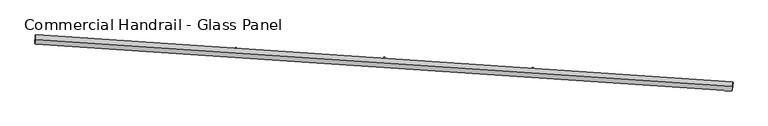
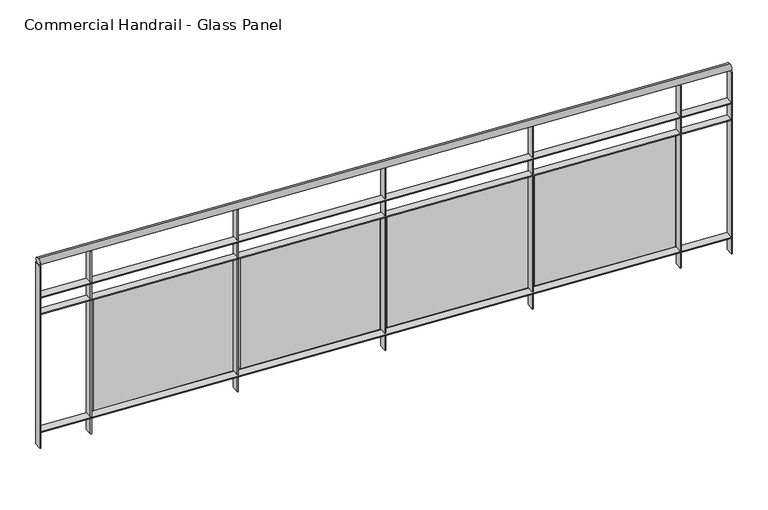
"""IFC4 building model written with IfcOpenShell, lengths in millimetres: railing geometry, Commercial Handrail - Glass Panel."""

from ifc_helpers import new_model, si_unit, point, frame, origin, place, context, project, spatial, polyline, circle_curve, ellipse_curve, trimmed, outline, extrude, source, transform, mapped, element, save
from ifc_brep_helpers import plane_surface, cylinder_surface, revolved_surface, advanced_brep


def commercial_handrail_glass_panel_afc3aaa4(model_context):
    return source(origin(), model_context, "Body", "SolidModel", [
        advanced_brep(
        [(127087.1570921, -8003.1164337, 12882.5), (123343.3137882, -7749.5898626, 12882.5), (123343.3137882, -7749.5898626, 12917.5), (127087.1570921, -8003.1164337, 12917.5)],
        [
            (0, 1, circle_curve(frame((111605.6979329, -208849.2754237, 12882.5), z_axis=(0.0, 0.0, 1.0), x_axis=(0.05826798461119784, 0.9983009776461952, 0.0)), 201441.93992)),
            (1, 2, ellipse_curve(frame((123343.3137882, -7749.5898626, 12900.0), z_axis=(0.9983009776461951, -0.05826798461120429, 0.0), x_axis=(-0.058267984611204277, -0.9983009776461949, 0.0)), 25.0, 17.5)),
            (2, 3, circle_curve(frame((111605.6979329, -208849.2754237, 12917.5), z_axis=(0.0, 0.0, -1.0), x_axis=(0.05826798461119784, 0.9983009776461952, 0.0)), 201441.93992)),
            (3, 0, ellipse_curve(frame((127087.1570921, -8003.1164337, 12900.0), z_axis=(-0.9970424186232612, 0.07685320725823905, 0.0), x_axis=(-0.07685320725823903, -0.9970424186232609, 0.0)), 25.0, 17.5)),
            (2, 1, ellipse_curve(frame((123343.3137882, -7749.5898626, 12900.0), z_axis=(0.9983009776461951, -0.05826798461120429, 0.0), x_axis=(-0.058267984611204277, -0.9983009776461949, 0.0)), 25.0, 17.5)),
            (0, 3, ellipse_curve(frame((127087.1570921, -8003.1164337, 12900.0), z_axis=(-0.9970424186232612, 0.07685320725823905, 0.0), x_axis=(-0.07685320725823903, -0.9970424186232609, 0.0)), 25.0, 17.5)),
        ],
        [
            revolved_surface(trimmed(ellipse_curve(frame((123343.3137882, -7749.5898626, 12900.0), z_axis=(-0.9983009776461952, 0.05826798461119784, 0.0), x_axis=(0.0, 0.0, -1.0)), 17.5, 25.0), [point((123343.3137882, -7749.5898626, 12917.5))], [point((123343.3137882, -7749.5898626, 12882.5))], True, "CARTESIAN"), (111605.6979329, -208849.2754237, 12900.0), (0.0, 0.0, -1.0)),
            revolved_surface(trimmed(ellipse_curve(frame((123343.3137882, -7749.5898626, 12900.0), z_axis=(-0.9983009776461952, 0.05826798461119784, 0.0), x_axis=(0.0, 0.0, -1.0)), 17.5, 25.0), [point((123343.3137882, -7749.5898626, 12882.5))], [point((123343.3137882, -7749.5898626, 12917.5))], True, "CARTESIAN"), (111605.6979329, -208849.2754237, 12900.0), (0.0, 0.0, -1.0)),
            plane_surface(frame((123343.3137882, -7749.5898626, 12900.0), z_axis=(-0.9983009776461953, 0.058267984611197844, 0.0), x_axis=(0.058267984611197844, 0.9983009776461953, 0.0))),
            plane_surface(frame((127087.1570921, -8003.1164337, 12900.0), z_axis=(0.9970424186232612, -0.07685320725823909, 0.0), x_axis=(0.07685320725823909, 0.9970424186232612, 0.0))),
        ],
        [
            (0, [[1, 2, 3, 4]]),
            (1, [[-3, 5, -1, 6]]),
            (2, [[-2, -5]]),
            (3, [[-6, -4]]),
        ],
    ),
        advanced_brep(
        [(127088.8862893, -7980.6829793, 12700.0), (123344.6248179, -7727.1280906, 12700.0), (123342.0027586, -7772.0516346, 12700.0), (127085.4278949, -8025.5498881, 12700.0), (127088.8862893, -7980.6829793, 12694.0), (123344.6248179, -7727.1280906, 12694.0), (127085.4278949, -8025.5498881, 12694.0), (123342.0027586, -7772.0516346, 12694.0)],
        [
            (0, 1, circle_curve(frame((111605.6979329, -208849.2754237, 12700.0), z_axis=(0.0, 0.0, 1.0), x_axis=(0.05826798461119784, 0.9983009776461952, 0.0)), 201464.43992)),
            (1, 2),
            (2, 3, circle_curve(frame((111605.6979329, -208849.2754237, 12700.0), z_axis=(0.0, 0.0, -1.0), x_axis=(0.05826798461119784, 0.9983009776461952, 0.0)), 201419.43992)),
            (3, 0),
            (4, 5, circle_curve(frame((111605.6979329, -208849.2754237, 12694.0), z_axis=(0.0, 0.0, 1.0), x_axis=(0.05826798461119784, 0.9983009776461952, 0.0)), 201464.43992)),
            (5, 1),
            (0, 4),
            (6, 7, circle_curve(frame((111605.6979329, -208849.2754237, 12694.0), z_axis=(0.0, 0.0, 1.0), x_axis=(0.05826798461119784, 0.9983009776461952, 0.0)), 201419.43992)),
            (7, 5),
            (4, 6),
            (2, 7),
            (6, 3),
        ],
        [
            plane_surface(frame((111605.6979329, -208849.2754237, 12700.0), z_axis=(0.0, 0.0, 1.0), x_axis=(0.058267984611197844, 0.9983009776461953, 0.0))),
            cylinder_surface(frame((111605.6979329, -208849.2754237, 12700.0), z_axis=(0.0, 0.0, -1.0), x_axis=(0.05826798461119784, 0.9983009776461952, 0.0)), 201464.43992),
            plane_surface(frame((111605.6979329, -208849.2754237, 12694.0), z_axis=(0.0, 0.0, -1.0), x_axis=(0.058267984611197844, 0.9983009776461953, 0.0))),
            revolved_surface(polyline([(123342.00275855465, -7772.051634614909, 12694.0), (123342.00275855465, -7772.051634614909, 12700.0)]), (111605.6979329, -208849.2754237, 12700.0), (0.0, 0.0, -1.0)),
            plane_surface(frame((123343.3137882, -7749.5898626, 12700.0), z_axis=(-0.9983009776461953, 0.058267984611197844, 0.0), x_axis=(0.058267984611197844, 0.9983009776461953, 0.0))),
            plane_surface(frame((127087.1570921, -8003.1164337, 12700.0), z_axis=(0.9970424186232612, -0.07685320725823909, 0.0), x_axis=(0.07685320725823909, 0.9970424186232612, 0.0))),
        ],
        [
            (0, [[1, 2, 3, 4]]),
            (1, [[5, 6, -1, 7]]),
            (2, [[8, 9, -5, 10]]),
            (3, [[-3, 11, -8, 12]]),
            (4, [[-2, -6, -9, -11]]),
            (5, [[-12, -10, -7, -4]]),
        ],
    ),
        advanced_brep(
        [(127088.8862893, -7980.6829793, 12600.0), (123344.6248179, -7727.1280906, 12600.0), (123342.0027586, -7772.0516346, 12600.0), (127085.4278949, -8025.5498881, 12600.0), (127088.8862893, -7980.6829793, 12594.0), (123344.6248179, -7727.1280906, 12594.0), (127085.4278949, -8025.5498881, 12594.0), (123342.0027586, -7772.0516346, 12594.0)],
        [
            (0, 1, circle_curve(frame((111605.6979329, -208849.2754237, 12600.0), z_axis=(0.0, 0.0, 1.0), x_axis=(0.05826798461119784, 0.9983009776461952, 0.0)), 201464.43992)),
            (1, 2),
            (2, 3, circle_curve(frame((111605.6979329, -208849.2754237, 12600.0), z_axis=(0.0, 0.0, -1.0), x_axis=(0.05826798461119784, 0.9983009776461952, 0.0)), 201419.43992)),
            (3, 0),
            (4, 5, circle_curve(frame((111605.6979329, -208849.2754237, 12594.0), z_axis=(0.0, 0.0, 1.0), x_axis=(0.05826798461119784, 0.9983009776461952, 0.0)), 201464.43992)),
            (5, 1),
            (0, 4),
            (6, 7, circle_curve(frame((111605.6979329, -208849.2754237, 12594.0), z_axis=(0.0, 0.0, 1.0), x_axis=(0.05826798461119784, 0.9983009776461952, 0.0)), 201419.43992)),
            (7, 5),
            (4, 6),
            (2, 7),
            (6, 3),
        ],
        [
            plane_surface(frame((111605.6979329, -208849.2754237, 12600.0), z_axis=(0.0, 0.0, 1.0), x_axis=(0.058267984611197844, 0.9983009776461953, 0.0))),
            cylinder_surface(frame((111605.6979329, -208849.2754237, 12600.0), z_axis=(0.0, 0.0, -1.0), x_axis=(0.05826798461119784, 0.9983009776461952, 0.0)), 201464.43992),
            plane_surface(frame((111605.6979329, -208849.2754237, 12594.0), z_axis=(0.0, 0.0, -1.0), x_axis=(0.058267984611197844, 0.9983009776461953, 0.0))),
            revolved_surface(polyline([(123342.00275855465, -7772.051634614909, 12594.0), (123342.00275855465, -7772.051634614909, 12600.0)]), (111605.6979329, -208849.2754237, 12600.0), (0.0, 0.0, -1.0)),
            plane_surface(frame((123343.3137882, -7749.5898626, 12600.0), z_axis=(-0.9983009776461953, 0.058267984611197844, 0.0), x_axis=(0.058267984611197844, 0.9983009776461953, 0.0))),
            plane_surface(frame((127087.1570921, -8003.1164337, 12600.0), z_axis=(0.9970424186232612, -0.07685320725823909, 0.0), x_axis=(0.07685320725823909, 0.9970424186232612, 0.0))),
        ],
        [
            (0, [[1, 2, 3, 4]]),
            (1, [[5, 6, -1, 7]]),
            (2, [[8, 9, -5, 10]]),
            (3, [[-3, 11, -8, 12]]),
            (4, [[-2, -6, -9, -11]]),
            (5, [[-12, -10, -7, -4]]),
        ],
    ),
        advanced_brep(
        [(127088.8862893, -7980.6829793, 11900.0), (123344.6248179, -7727.1280906, 11900.0), (123342.0027586, -7772.0516346, 11900.0), (127085.4278949, -8025.5498881, 11900.0), (127088.8862893, -7980.6829793, 11894.0), (123344.6248179, -7727.1280906, 11894.0), (127085.4278949, -8025.5498881, 11894.0), (123342.0027586, -7772.0516346, 11894.0)],
        [
            (0, 1, circle_curve(frame((111605.6979329, -208849.2754237, 11900.0), z_axis=(0.0, 0.0, 1.0), x_axis=(0.05826798461119784, 0.9983009776461952, 0.0)), 201464.43992)),
            (1, 2),
            (2, 3, circle_curve(frame((111605.6979329, -208849.2754237, 11900.0), z_axis=(0.0, 0.0, -1.0), x_axis=(0.05826798461119784, 0.9983009776461952, 0.0)), 201419.43992)),
            (3, 0),
            (4, 5, circle_curve(frame((111605.6979329, -208849.2754237, 11894.0), z_axis=(0.0, 0.0, 1.0), x_axis=(0.05826798461119784, 0.9983009776461952, 0.0)), 201464.43992)),
            (5, 1),
            (0, 4),
            (6, 7, circle_curve(frame((111605.6979329, -208849.2754237, 11894.0), z_axis=(0.0, 0.0, 1.0), x_axis=(0.05826798461119784, 0.9983009776461952, 0.0)), 201419.43992)),
            (7, 5),
            (4, 6),
            (2, 7),
            (6, 3),
        ],
        [
            plane_surface(frame((111605.6979329, -208849.2754237, 11900.0), z_axis=(0.0, 0.0, 1.0), x_axis=(0.058267984611197844, 0.9983009776461953, 0.0))),
            cylinder_surface(frame((111605.6979329, -208849.2754237, 11900.0), z_axis=(0.0, 0.0, -1.0), x_axis=(0.05826798461119784, 0.9983009776461952, 0.0)), 201464.43992),
            plane_surface(frame((111605.6979329, -208849.2754237, 11894.0), z_axis=(0.0, 0.0, -1.0), x_axis=(0.058267984611197844, 0.9983009776461953, 0.0))),
            revolved_surface(polyline([(123342.00275855465, -7772.051634614909, 11894.0), (123342.00275855465, -7772.051634614909, 11900.0)]), (111605.6979329, -208849.2754237, 11900.0), (0.0, 0.0, -1.0)),
            plane_surface(frame((123343.3137882, -7749.5898626, 11900.0), z_axis=(-0.9983009776461953, 0.058267984611197844, 0.0), x_axis=(0.058267984611197844, 0.9983009776461953, 0.0))),
            plane_surface(frame((127087.1570921, -8003.1164337, 11900.0), z_axis=(0.9970424186232612, -0.07685320725823909, 0.0), x_axis=(0.07685320725823909, 0.9970424186232612, 0.0))),
        ],
        [
            (0, [[1, 2, 3, 4]]),
            (1, [[5, 6, -1, 7]]),
            (2, [[8, 9, -5, 10]]),
            (3, [[-3, 11, -8, 12]]),
            (4, [[-2, -6, -9, -11]]),
            (5, [[-12, -10, -7, -4]]),
        ],
    ),
        extrude(outline(polyline([(126807.0337746, -8004.2850074), (126810.43064, -7959.4133983), (126816.4135212, -7959.8663137), (126813.0166558, -8004.7379228), (126807.0337746, -8004.2850074)])), frame((0.0, 0.0, 11800.0), z_axis=(0.0, 0.0, 1.0), x_axis=(1.0, 0.0, 0.0)), (0.0, 0.0, 1.0), 1082.1192282),
        extrude(outline(polyline([(126034.3041964, -7918.3613778), (126792.2482403, -7974.2257342), (126791.3661716, -7986.1932717), (126033.4221277, -7930.3289154), (126034.3041964, -7918.3613778)])), frame((0.0, 0.0, 11920.0), z_axis=(0.0, 0.0, 1.0), x_axis=(1.0, 0.0, 0.0)), (0.0, 0.0, 1.0), 660.0),
        extrude(outline(polyline([(126009.2867014, -7945.4989105), (126012.5053388, -7900.614165), (126018.4899716, -7901.0433167), (126015.2713341, -7945.9280621), (126009.2867014, -7945.4989105)])), frame((0.0, 0.0, 11800.0), z_axis=(0.0, 0.0, 1.0), x_axis=(1.0, 0.0, 0.0)), (0.0, 0.0, 1.0), 1082.1192282),
        extrude(outline(polyline([(125236.2219835, -7862.6447436), (125994.3819077, -7915.4985929), (125993.5473732, -7927.4695391), (125235.387449, -7874.6156898), (125236.2219835, -7862.6447436)])), frame((0.0, 0.0, 11920.0), z_axis=(0.0, 0.0, 1.0), x_axis=(1.0, 0.0, 0.0)), (0.0, 0.0, 1.0), 660.0),
        extrude(outline(polyline([(125211.3124586, -7889.8814157), (125214.3528173, -7844.9842418), (125220.3391071, -7845.389623), (125217.2987484, -7890.2867968), (125211.3124586, -7889.8814157)])), frame((0.0, 0.0, 11800.0), z_axis=(0.0, 0.0, 1.0), x_axis=(1.0, 0.0, 0.0)), (0.0, 0.0, 1.0), 1082.1192282),
        extrude(outline(polyline([(124437.9247935, -7810.0980184), (125196.2886404, -7859.940527), (125195.5016534, -7871.914693), (124437.1378065, -7822.0721844), (124437.9247935, -7810.0980184)])), frame((0.0, 0.0, 11920.0), z_axis=(0.0, 0.0, 1.0), x_axis=(1.0, 0.0, 0.0)), (0.0, 0.0, 1.0), 660.0),
        extrude(outline(polyline([(124413.1236316, -7837.4334002), (124415.9856636, -7792.5245061), (124421.9735161, -7792.9061104), (124419.1114841, -7837.8150045), (124413.1236316, -7837.4334002)])), frame((0.0, 0.0, 11800.0), z_axis=(0.0, 0.0, 1.0), x_axis=(1.0, 0.0, 0.0)), (0.0, 0.0, 1.0), 1082.1192282),
        extrude(outline(polyline([(123639.4252169, -7760.7220307), (124397.9810259, -7807.5524126), (124397.2415988, -7819.5296096), (123638.6857898, -7772.6992277), (123639.4252169, -7760.7220307)])), frame((0.0, 0.0, 11920.0), z_axis=(0.0, 0.0, 1.0), x_axis=(1.0, 0.0, 0.0)), (0.0, 0.0, 1.0), 660.0),
        extrude(outline(polyline([(123614.7328091, -7788.1556913), (123617.4164693, -7743.2357852), (123623.4057901, -7743.5936065), (123620.72213, -7788.5135127), (123614.7328091, -7788.1556913)])), frame((0.0, 0.0, 11800.0), z_axis=(0.0, 0.0, 1.0), x_axis=(1.0, 0.0, 0.0)), (0.0, 0.0, 1.0), 1082.1192282),
        extrude(outline(polyline([(127082.4367677, -8025.3193285), (127085.895162, -7980.4524197), (127091.8774165, -7980.9135389), (127088.4190222, -8025.7804477), (127082.4367677, -8025.3193285)])), frame((0.0, 0.0, 11800.0), z_axis=(0.0, 0.0, 1.0), x_axis=(1.0, 0.0, 0.0)), (0.0, 0.0, 1.0), 1082.1192282),
        extrude(outline(polyline([(123339.0078557, -7771.8768307), (123341.629915, -7726.9532867), (123347.6197208, -7727.3028946), (123344.9976615, -7772.2264386), (123339.0078557, -7771.8768307)])), frame((0.0, 0.0, 11800.0), z_axis=(0.0, 0.0, 1.0), x_axis=(1.0, 0.0, 0.0)), (0.0, 0.0, 1.0), 1082.1192282),
    ])


if __name__ == "__main__":
    model = new_model("IFC4")
    model_context = context("Model", 3, world=origin())
    ifc_project = project(units=[si_unit("LENGTHUNIT", "METRE", prefix="MILLI")], contexts=[model_context])
    site = spatial("IfcSite", under=ifc_project)
    building = spatial("IfcBuilding", under=site)
    placement = place(None, origin())
    commercial_handrail_glass_panel_shape = commercial_handrail_glass_panel_afc3aaa4(model_context)
    element("IfcRailing", 1, ObjectType="Commercial Handrail - Glass Panel", at=placement, inside=building, context=model_context, shape_type="MappedRepresentation", body=[
        mapped(commercial_handrail_glass_panel_shape, transform((0.0, 0.0, 0.0), x_axis=(1.0, 0.0, 0.0), y_axis=(0.0, 1.0, 0.0), z_axis=(0.0, 0.0, 1.0))),
    ])
    save(model, "model.ifc")
